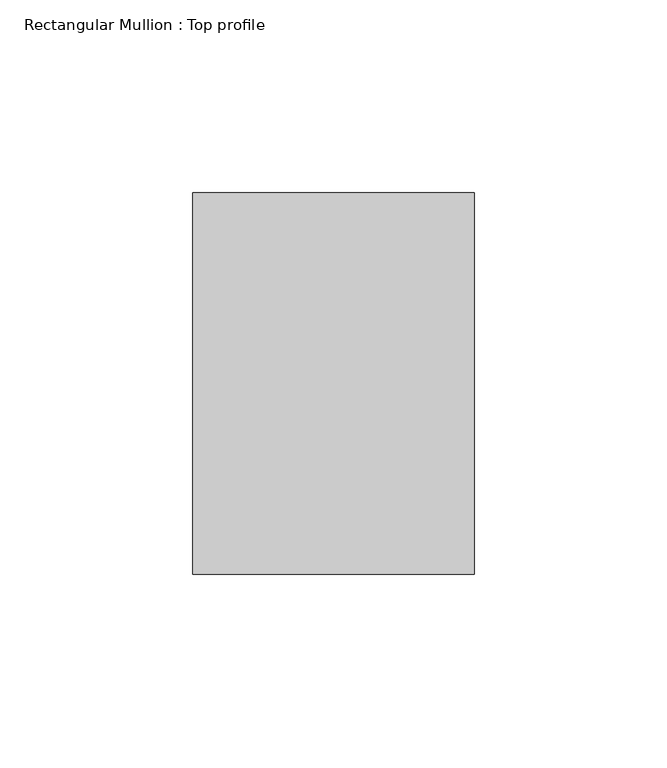
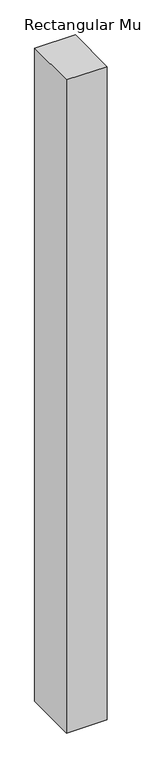
"""IFC4 building model written with IfcOpenShell, lengths in millimetres: member geometry, Rectangular Mullion : Top profile."""

from ifc_helpers import new_model, si_unit, frame, origin, place, context, project, spatial, polyline, outline, extrude, source, transform, mapped, element, save


def rectangular_mullion_top_profile_b618e83a(model_context):
    return source(origin(), model_context, "Body", "SweptSolid", [
        extrude(outline(polyline([(-73.0, 49.5), (0.0, 49.5), (0.0, -49.5), (-73.0, -49.5), (-73.0, 49.5)])), frame((0.0, 0.0, -1240.0), z_axis=(0.0, 0.0, 1.0), x_axis=(1.0, 0.0, 0.0)), (0.0, 0.0, 1.0), 1240.0),
    ])


if __name__ == "__main__":
    model = new_model("IFC4")
    model_context = context("Model", 3, world=origin())
    ifc_project = project(units=[si_unit("LENGTHUNIT", "METRE", prefix="MILLI")], contexts=[model_context])
    site = spatial("IfcSite", under=ifc_project)
    building = spatial("IfcBuilding", under=site)
    placement = place(None, origin())
    rectangular_mullion_top_profile_shape = rectangular_mullion_top_profile_b618e83a(model_context)
    element("IfcMember", 1, ObjectType="Rectangular Mullion : Top profile", at=placement, inside=building, context=model_context, shape_type="MappedRepresentation", body=[
        mapped(rectangular_mullion_top_profile_shape, transform((0.0, 0.0, 0.0), x_axis=(1.0, 0.0, 0.0), y_axis=(0.0, 1.0, 0.0), z_axis=(0.0, 0.0, 1.0))),
    ])
    save(model, "model.ifc")
